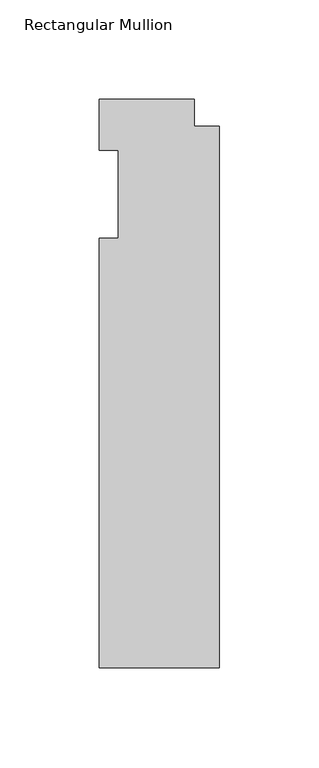
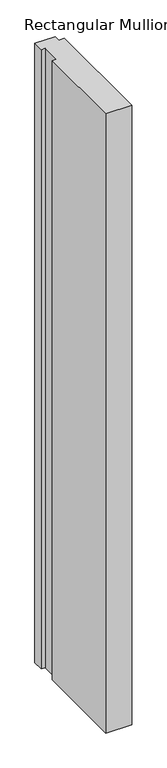
"""IFC4 building model written with IfcOpenShell, lengths in millimetres: member geometry, Rectangular Mullion."""

from ifc_helpers import new_model, si_unit, frame, origin, place, context, project, spatial, polyline, outline, extrude, source, transform, mapped, element, save


def rectangular_mullion_bf7062b3(model_context):
    return source(origin(), model_context, "Body", "SweptSolid", [
        extrude(outline(polyline([(-60.325, -22.225), (-50.8, -22.225), (-50.8, 22.225), (-60.325, 22.225), (-60.325, 47.625), (-12.7, 47.625), (-12.7, 34.13125), (0.0, 34.13125), (0.0, -238.125), (-60.325, -238.125), (-60.325, -22.225)])), frame((0.0, 0.0, -1524.0), z_axis=(0.0, 0.0, 1.0), x_axis=(1.0, 0.0, 0.0)), (0.0, 0.0, 1.0), 1524.0),
    ])


if __name__ == "__main__":
    model = new_model("IFC4")
    model_context = context("Model", 3, world=origin())
    ifc_project = project(units=[si_unit("LENGTHUNIT", "METRE", prefix="MILLI")], contexts=[model_context])
    site = spatial("IfcSite", under=ifc_project)
    building = spatial("IfcBuilding", under=site)
    placement = place(None, origin())
    rectangular_mullion_shape = rectangular_mullion_bf7062b3(model_context)
    element("IfcMember", 1, ObjectType="Rectangular Mullion", at=placement, inside=building, context=model_context, shape_type="MappedRepresentation", body=[
        mapped(rectangular_mullion_shape, transform((0.0, 0.0, 0.0), x_axis=(1.0, 0.0, 0.0), y_axis=(0.0, 1.0, 0.0), z_axis=(0.0, 0.0, 1.0))),
    ])
    save(model, "model.ifc")
